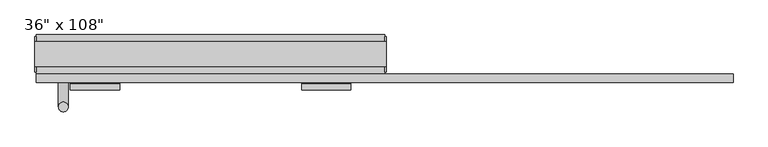
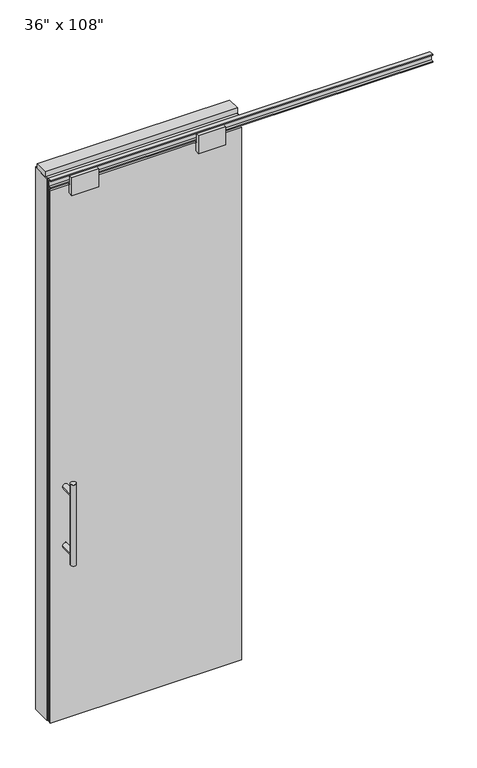
"""IFC4 building model written with IfcOpenShell, lengths in millimetres: furniture geometry."""

from ifc_helpers import new_model, si_unit, frame, origin, origin_with_axes, place, context, project, spatial, polyline, circle_curve, ellipse_curve, outline, extrude, source, transform, mapped, element, save
from ifc_brep_helpers import plane_surface, cylinder_surface, advanced_brep


def furniture_df77f2cf(model_context):
    return source(origin(), model_context, "Body", "SolidModel", [
        extrude(outline(polyline([(393.2264771, -74.3677216), (-513.2995229, -74.3677216), (-513.2995229, -64.2077216), (393.2264771, -64.2077216), (393.2264771, -74.3677216)])), origin_with_axes(), (0.0, 0.0, 1.0), 2670.81),
        advanced_brep(
        [(-456.0225229, 3.3562784, 1219.2), (-430.6225229, 3.3562784, 1219.2), (-456.0225229, 3.3562784, 812.8), (-430.6225229, 3.3562784, 812.8), (-430.6225229, 3.3562784, 1164.336), (-430.6225229, 3.3562784, 867.664), (-456.0225229, 3.3562784, 867.664), (-456.0225229, 3.3562784, 1164.336), (-456.0225229, -64.2077216, 1164.336), (-430.6225229, -64.2077216, 1164.336), (-456.0225229, -64.2077216, 867.664), (-430.6225229, -64.2077216, 867.664)],
        [
            (0, 1, circle_curve(frame((-443.3225229, 3.3562784, 1219.2), z_axis=(0.0, 0.0, 1.0), x_axis=(1.0, 0.0, 0.0)), 12.7)),
            (1, 0, circle_curve(frame((-443.3225229, 3.3562784, 1219.2), z_axis=(0.0, 0.0, 1.0), x_axis=(1.0, 0.0, 0.0)), 12.7)),
            (2, 3, circle_curve(frame((-443.3225229, 3.3562784, 812.8), z_axis=(0.0, 0.0, -1.0), x_axis=(1.0, 0.0, 0.0)), 12.7)),
            (3, 2, circle_curve(frame((-443.3225229, 3.3562784, 812.8), z_axis=(0.0, 0.0, -1.0), x_axis=(1.0, 0.0, 0.0)), 12.7)),
            (1, 4),
            (4, 5),
            (5, 3),
            (2, 6),
            (6, 7),
            (7, 0),
            (6, 5, ellipse_curve(frame((-443.3225229, 3.3562784, 867.664), z_axis=(0.0, 0.707106781186565, 0.70710678118653), x_axis=(0.0, -0.70710678118653, 0.707106781186565)), 17.9605122, 12.7)),
            (4, 7, ellipse_curve(frame((-443.3225229, 3.3562784, 1164.336), z_axis=(0.0, 0.70710678118653, -0.7071067811865649), x_axis=(0.0, 0.7071067811865648, 0.7071067811865301)), 17.9605122, 12.7)),
            (7, 4, ellipse_curve(frame((-443.3225229, 3.3562784, 1164.336), z_axis=(0.0, 0.707106781186565, 0.70710678118653), x_axis=(0.0, -0.70710678118653, 0.707106781186565)), 17.9605122, 12.7)),
            (5, 6, ellipse_curve(frame((-443.3225229, 3.3562784, 867.664), z_axis=(0.0, 0.70710678118653, -0.7071067811865649), x_axis=(0.0, 0.7071067811865648, 0.7071067811865301)), 17.9605122, 12.7)),
            (8, 9, circle_curve(frame((-443.3225229, -64.2077216, 1164.336), z_axis=(0.0, -1.0, 0.0), x_axis=(1.0, 0.0, 0.0)), 12.7)),
            (9, 8, circle_curve(frame((-443.3225229, -64.2077216, 1164.336), z_axis=(0.0, -1.0, 0.0), x_axis=(1.0, 0.0, 0.0)), 12.7)),
            (8, 7),
            (4, 9),
            (10, 11, circle_curve(frame((-443.3225229, -64.2077216, 867.664), z_axis=(0.0, -1.0, 0.0), x_axis=(1.0, 0.0, 0.0)), 12.7)),
            (11, 10, circle_curve(frame((-443.3225229, -64.2077216, 867.664), z_axis=(0.0, -1.0, 0.0), x_axis=(1.0, 0.0, 0.0)), 12.7)),
            (10, 6),
            (5, 11),
        ],
        [
            plane_surface(frame((-430.6225229, 3.3562784, 1219.2), z_axis=(0.0, 0.0, 1.0), x_axis=(0.0, -1.0, 0.0))),
            plane_surface(frame((-430.6225229, 3.3562784, 812.8), z_axis=(0.0, 0.0, -1.0), x_axis=(0.0, 1.0, 0.0))),
            cylinder_surface(frame((-443.3225229, 3.3562784, 812.8), z_axis=(0.0, 0.0, 1.0), x_axis=(1.0, 0.0, 0.0)), 12.7),
            plane_surface(frame((-430.6225229, -64.2077216, 1164.336), z_axis=(0.0, -1.0, 0.0), x_axis=(0.0, 0.0, -1.0))),
            cylinder_surface(frame((-443.3225229, -64.2077216, 1164.336), z_axis=(0.0, 1.0, 0.0), x_axis=(1.0, 0.0, 0.0)), 12.7),
            plane_surface(frame((-430.6225229, -64.2077216, 867.664), z_axis=(0.0, -1.0, 0.0), x_axis=(0.0, 0.0, -1.0))),
            cylinder_surface(frame((-443.3225229, -64.2077216, 867.664), z_axis=(0.0, 1.0, 0.0), x_axis=(1.0, 0.0, 0.0)), 12.7),
        ],
        [
            (0, [[1, 2]]),
            (1, [[3, 4]]),
            (2, [[5, 6, 7, -3, 8, 9, 10, -2]]),
            (2, [[-9, 11, -6, 12]]),
            (2, [[-10, 13, -5, -1]]),
            (2, [[-7, 14, -8, -4]]),
            (3, [[15, 16]]),
            (4, [[17, -12, 18, -15]]),
            (4, [[-18, -13, -17, -16]]),
            (5, [[19, 20]]),
            (6, [[21, -14, 22, -19]]),
            (6, [[-22, -11, -21, -20]]),
        ],
    ),
        advanced_brep(
        [(-456.0225229, -141.9317216, 1219.2), (-430.6225229, -141.9317216, 1219.2), (-456.0225229, -141.9317216, 812.8), (-430.6225229, -141.9317216, 812.8), (-456.0225229, -141.9317216, 1164.336), (-456.0225229, -141.9317216, 867.664), (-430.6225229, -141.9317216, 867.664), (-430.6225229, -141.9317216, 1164.336), (-456.0225229, -74.3677216, 1164.336), (-430.6225229, -74.3677216, 1164.336), (-456.0225229, -74.3677216, 867.664), (-430.6225229, -74.3677216, 867.664)],
        [
            (0, 1, circle_curve(frame((-443.3225229, -141.9317216, 1219.2), z_axis=(0.0, 0.0, 1.0), x_axis=(1.0, 0.0, 0.0)), 12.7)),
            (1, 0, circle_curve(frame((-443.3225229, -141.9317216, 1219.2), z_axis=(0.0, 0.0, 1.0), x_axis=(1.0, 0.0, 0.0)), 12.7)),
            (2, 3, circle_curve(frame((-443.3225229, -141.9317216, 812.8), z_axis=(0.0, 0.0, -1.0), x_axis=(1.0, 0.0, 0.0)), 12.7)),
            (3, 2, circle_curve(frame((-443.3225229, -141.9317216, 812.8), z_axis=(0.0, 0.0, -1.0), x_axis=(1.0, 0.0, 0.0)), 12.7)),
            (0, 4),
            (4, 5),
            (5, 2),
            (3, 6),
            (6, 7),
            (7, 1),
            (7, 4, ellipse_curve(frame((-443.3225229, -141.9317216, 1164.336), z_axis=(0.0, -0.707106781186565, 0.70710678118653), x_axis=(0.0, 0.70710678118653, 0.707106781186565)), 17.9605122, 12.7)),
            (5, 6, ellipse_curve(frame((-443.3225229, -141.9317216, 867.664), z_axis=(0.0, -0.70710678118653, -0.7071067811865649), x_axis=(0.0, -0.7071067811865648, 0.7071067811865301)), 17.9605122, 12.7)),
            (4, 7, ellipse_curve(frame((-443.3225229, -141.9317216, 1164.336), z_axis=(0.0, -0.70710678118653, -0.7071067811865649), x_axis=(0.0, -0.7071067811865648, 0.7071067811865301)), 17.9605122, 12.7)),
            (6, 5, ellipse_curve(frame((-443.3225229, -141.9317216, 867.664), z_axis=(0.0, -0.707106781186565, 0.70710678118653), x_axis=(0.0, 0.70710678118653, 0.707106781186565)), 17.9605122, 12.7)),
            (8, 9, circle_curve(frame((-443.3225229, -74.3677216, 1164.336), z_axis=(0.0, 1.0, 0.0), x_axis=(1.0, 0.0, 0.0)), 12.7)),
            (9, 8, circle_curve(frame((-443.3225229, -74.3677216, 1164.336), z_axis=(0.0, 1.0, 0.0), x_axis=(1.0, 0.0, 0.0)), 12.7)),
            (9, 7),
            (4, 8),
            (10, 11, circle_curve(frame((-443.3225229, -74.3677216, 867.664), z_axis=(0.0, 1.0, 0.0), x_axis=(1.0, 0.0, 0.0)), 12.7)),
            (11, 10, circle_curve(frame((-443.3225229, -74.3677216, 867.664), z_axis=(0.0, 1.0, 0.0), x_axis=(1.0, 0.0, 0.0)), 12.7)),
            (11, 6),
            (5, 10),
        ],
        [
            plane_surface(frame((-430.6225229, -141.9317216, 1219.2), z_axis=(0.0, 0.0, 1.0), x_axis=(0.0, 1.0, 0.0))),
            plane_surface(frame((-430.6225229, -141.9317216, 812.8), z_axis=(0.0, 0.0, -1.0), x_axis=(0.0, -1.0, 0.0))),
            cylinder_surface(frame((-443.3225229, -141.9317216, 812.8), z_axis=(0.0, 0.0, 1.0), x_axis=(1.0, 0.0, 0.0)), 12.7),
            plane_surface(frame((-430.6225229, -74.3677216, 1164.336), z_axis=(0.0, 1.0, 0.0), x_axis=(0.0, 0.0, -1.0))),
            cylinder_surface(frame((-443.3225229, -74.3677216, 1164.336), z_axis=(0.0, -1.0, 0.0), x_axis=(1.0, 0.0, 0.0)), 12.7),
            plane_surface(frame((-430.6225229, -74.3677216, 867.664), z_axis=(0.0, 1.0, 0.0), x_axis=(0.0, 0.0, -1.0))),
            cylinder_surface(frame((-443.3225229, -74.3677216, 867.664), z_axis=(0.0, -1.0, 0.0), x_axis=(1.0, 0.0, 0.0)), 12.7),
        ],
        [
            (0, [[1, 2]]),
            (1, [[3, 4]]),
            (2, [[-1, 5, 6, 7, -4, 8, 9, 10]]),
            (2, [[-2, -10, 11, -5]]),
            (2, [[-3, -7, 12, -8]]),
            (2, [[13, -9, 14, -6]]),
            (3, [[15, 16]]),
            (4, [[-16, 17, -13, 18]]),
            (4, [[-15, -18, -11, -17]]),
            (5, [[19, 20]]),
            (6, [[-20, 21, -12, 22]]),
            (6, [[-19, -22, -14, -21]]),
        ],
    ),
        extrude(outline(polyline([(-63.1282216, 2628.9), (-63.1282216, 2670.81), (-75.4472216, 2670.81), (-75.4472216, 2628.9), (-97.6722216, 2628.9), (-97.6722216, 2717.8), (-82.1782216, 2717.8), (-82.1782216, 2676.779), (-59.5722216, 2676.779), (-59.5722216, 2628.9), (-63.1282216, 2628.9)])), frame((-425.0345229, 0.0, 0.0), z_axis=(1.0, 0.0, 0.0), x_axis=(0.0, 1.0, 0.0)), (0.0, 0.0, 1.0), 128.016),
        extrude(outline(polyline([(-63.1282216, 2628.9), (-63.1282216, 2670.81), (-75.4472216, 2670.81), (-75.4472216, 2628.9), (-97.6722216, 2628.9), (-97.6722216, 2717.8), (-82.1782216, 2717.8), (-82.1782216, 2676.779), (-59.5722216, 2676.779), (-59.5722216, 2628.9), (-63.1282216, 2628.9)])), frame((176.9454771, 0.0, 0.0), z_axis=(1.0, 0.0, 0.0), x_axis=(0.0, 1.0, 0.0)), (0.0, 0.0, 1.0), 128.016),
        extrude(outline(polyline([(-77.9237216, 2681.478), (-77.9237216, 2686.812), (-65.2237216, 2686.812), (-65.2237216, 2715.768), (-77.9237216, 2715.768), (-77.9237216, 2721.102), (-56.2067216, 2721.102), (-56.2067216, 2681.478), (-77.9237216, 2681.478)])), frame((-513.2995229, 0.0, 0.0), z_axis=(1.0, 0.0, 0.0), x_axis=(0.0, 1.0, 0.0)), (0.0, 0.0, 1.0), 1813.052),
        extrude(outline(polyline([(-513.2995229, -55.3177216), (-513.2995229, 46.2822784), (393.2264771, 46.2822784), (393.2264771, -55.3177216), (-513.2995229, -55.3177216)])), frame((0.0, 0.0, 2654.3), z_axis=(0.0, 0.0, 1.0), x_axis=(1.0, 0.0, 0.0)), (0.0, 0.0, 1.0), 22.225),
        extrude(outline(polyline([(397.1634771, -50.3647216), (393.2264771, -50.3647216), (393.2264771, 41.3292784), (397.1634771, 41.3292784), (397.1634771, -50.3647216)])), origin_with_axes(), (0.0, 0.0, 1.0), 2717.8),
        extrude(outline(polyline([(-517.2365229, -50.3647216), (-517.2365229, 41.3292784), (-513.2995229, 41.3292784), (-513.2995229, -50.3647216), (-517.2365229, -50.3647216)])), origin_with_axes(), (0.0, 0.0, 1.0), 2717.8),
        extrude(outline(polyline([(371.0014771, -55.3177216), (371.0014771, 46.2822784), (393.2264771, 46.2822784), (393.2264771, -55.3177216), (371.0014771, -55.3177216)])), origin_with_axes(), (0.0, 0.0, 1.0), 2654.3),
        extrude(outline(polyline([(-491.0745229, -55.3177216), (-513.2995229, -55.3177216), (-513.2995229, 46.2822784), (-491.0745229, 46.2822784), (-491.0745229, -55.3177216)])), origin_with_axes(), (0.0, 0.0, 1.0), 2654.3),
        extrude(outline(polyline([(-55.3177216, 2681.478), (-55.3177216, 2717.8), (46.2822784, 2717.8), (46.2822784, 2681.478), (41.3292784, 2681.478), (41.3292784, 2676.525), (-50.3647216, 2676.525), (-50.3647216, 2681.478), (-55.3177216, 2681.478)])), frame((-513.2995229, 0.0, 0.0), z_axis=(1.0, 0.0, 0.0), x_axis=(0.0, 1.0, 0.0)), (0.0, 0.0, 1.0), 906.526),
        extrude(outline(polyline([(-517.2365229, -37.0297216), (-517.2365229, 27.9942784), (397.1634771, 27.9942784), (397.1634771, -37.0297216), (-517.2365229, -37.0297216)])), frame((0.0, 0.0, 2717.8), z_axis=(0.0, 0.0, 1.0), x_axis=(1.0, 0.0, 0.0)), (0.0, 0.0, 1.0), 25.4),
    ])


if __name__ == "__main__":
    model = new_model("IFC4")
    model_context = context("Model", 3, world=origin())
    ifc_project = project(units=[si_unit("LENGTHUNIT", "METRE", prefix="MILLI")], contexts=[model_context])
    site = spatial("IfcSite", under=ifc_project)
    building = spatial("IfcBuilding", under=site)
    placement = place(None, origin())
    furniture_shape = furniture_df77f2cf(model_context)
    element("IfcFurniture", 1, ObjectType="36\" x 108\"", at=placement, inside=building, context=model_context, shape_type="MappedRepresentation", body=[
        mapped(furniture_shape, transform((0.0, 0.0, 0.0), x_axis=(1.0, 0.0, 0.0), y_axis=(0.0, 1.0, 0.0), z_axis=(0.0, 0.0, 1.0))),
    ])
    save(model, "model.ifc")
